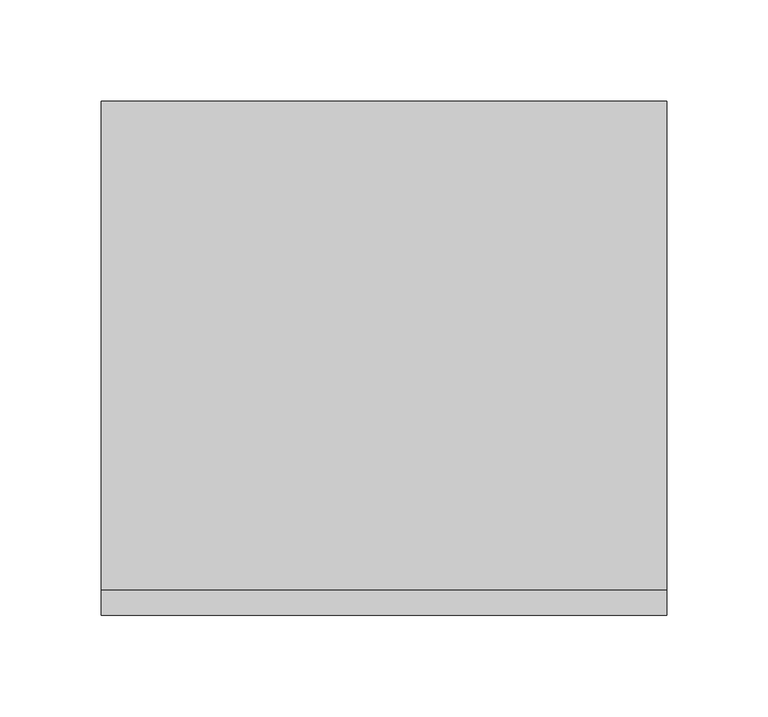
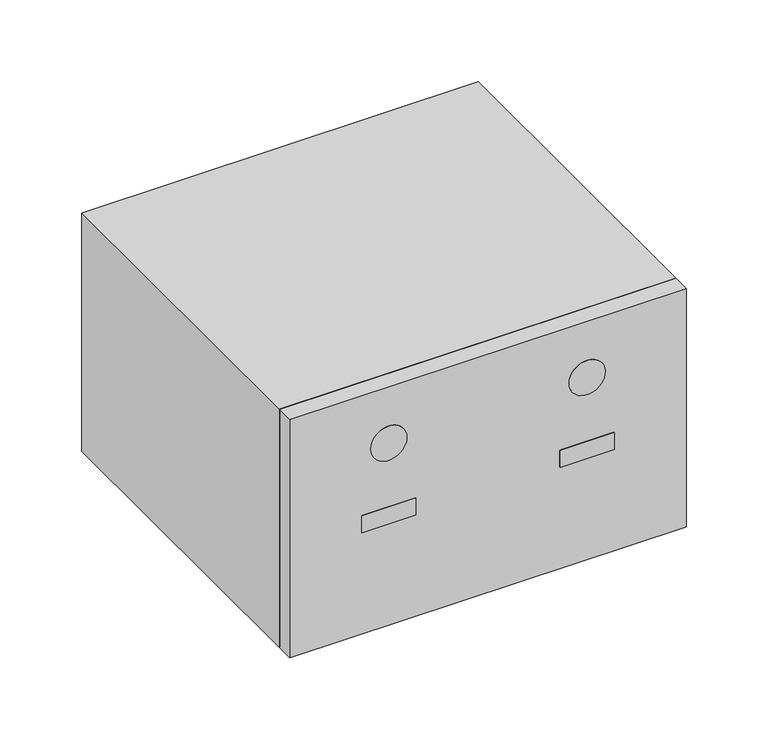
"""IFC4 building model written with IfcOpenShell, lengths in millimetres: proxy geometry."""

from ifc_helpers import new_model, si_unit, point, frame, frame_2d, origin, origin_with_axes, place, context, project, spatial, polyline, circle_curve, trimmed, segment, composite_curve, outline, extrude, source, transform, mapped, element, save
from ifc_brep_helpers import plane_surface, revolved_surface, advanced_brep


def specialty_equipment_93ede535(model_context):
    return source(origin(), model_context, "Body", "SolidModel", [
        extrude(outline(polyline([(-50.8, -127.0), (-88.9, -127.0), (-88.9, -114.3), (-50.8, -114.3), (-50.8, -127.0)])), frame((0.0, 0.0, 75.4057928), z_axis=(0.0, 0.0, 1.0), x_axis=(1.0, 0.0, 0.0)), (0.0, 0.0, 1.0), 12.7),
        extrude(outline(composite_curve([segment(trimmed(circle_curve(frame_2d((135.6673536, -69.85)), 12.7), [point((135.6673536, -57.15))], [point((135.6673536, -82.55))], False, "CARTESIAN"), True, "CONTINUOUS"), segment(trimmed(circle_curve(frame_2d((135.6673536, -69.85)), 12.7), [point((135.6673536, -82.55))], [point((135.6673536, -57.15))], False, "CARTESIAN"), True, "CONTINUOUS")], self_intersect=False)), frame((0.0, -127.0, 0.0), z_axis=(0.0, 1.0, 0.0), x_axis=(0.0, 0.0, 1.0)), (0.0, 0.0, 1.0), 12.7),
        advanced_brep(
        [(65.9381659, -107.95, 104.8140861), (73.7618341, -107.95, 104.8140861), (65.9381659, -114.3, 104.8140861), (73.7618341, -114.3, 104.8140861), (81.6605547, -107.95, 34.9640861), (89.484223, -107.95, 34.9640861), (81.6605547, -114.3, 34.9640861), (89.484223, -114.3, 34.9640861), (100.7105547, -107.95, 34.9640861), (108.534223, -107.95, 34.9640861), (100.7105547, -114.3, 34.9640861), (108.534223, -114.3, 34.9640861), (53.0816837, -107.95, 34.9640861), (60.905352, -107.95, 34.9640861), (53.0816837, -114.3, 34.9640861), (60.905352, -114.3, 34.9640861), (30.9346974, -107.95, 34.9640861), (38.7583657, -107.95, 34.9640861), (30.9346974, -114.3, 34.9640861), (38.7583657, -114.3, 34.9640861), (-65.9381659, -107.95, 104.8140861), (-73.7618341, -107.95, 104.8140861), (-73.7618341, -114.3, 104.8140861), (-65.9381659, -114.3, 104.8140861), (-81.6605547, -107.95, 34.9640861), (-89.484223, -107.95, 34.9640861), (-89.484223, -114.3, 34.9640861), (-81.6605547, -114.3, 34.9640861), (-100.7105547, -107.95, 34.9640861), (-108.534223, -107.95, 34.9640861), (-108.534223, -114.3, 34.9640861), (-100.7105547, -114.3, 34.9640861), (-53.0816837, -107.95, 34.9640861), (-60.905352, -107.95, 34.9640861), (-60.905352, -114.3, 34.9640861), (-53.0816837, -114.3, 34.9640861), (-30.9346974, -107.95, 34.9640861), (-38.7583657, -107.95, 34.9640861), (-38.7583657, -114.3, 34.9640861), (-30.9346974, -114.3, 34.9640861), (139.7, 127.0, 177.8), (-139.7, 127.0, 177.8), (-139.7, -114.3, 177.8), (139.7, -114.3, 177.8), (139.7, 127.0, 0.0), (139.7, -114.3, 0.0), (-139.7, -114.3, 0.0), (-139.7, 127.0, 0.0)],
        [
            (0, 1, circle_curve(frame((69.85, -107.95, 104.8140861), z_axis=(0.0, -1.0, 0.0), x_axis=(1.0, 0.0, 0.0)), 3.9118341)),
            (1, 0, circle_curve(frame((69.85, -107.95, 104.8140861), z_axis=(0.0, -1.0, 0.0), x_axis=(1.0, 0.0, 0.0)), 3.9118341)),
            (0, 2),
            (2, 3, circle_curve(frame((69.85, -114.3, 104.8140861), z_axis=(0.0, -1.0, 0.0), x_axis=(1.0, 0.0, 0.0)), 3.9118341)),
            (3, 1),
            (3, 2, circle_curve(frame((69.85, -114.3, 104.8140861), z_axis=(0.0, -1.0, 0.0), x_axis=(1.0, 0.0, 0.0)), 3.9118341)),
            (4, 5, circle_curve(frame((85.5723888, -107.95, 34.9640861), z_axis=(0.0, -1.0, 0.0), x_axis=(1.0, 0.0, 0.0)), 3.9118341)),
            (5, 4, circle_curve(frame((85.5723888, -107.95, 34.9640861), z_axis=(0.0, -1.0, 0.0), x_axis=(1.0, 0.0, 0.0)), 3.9118341)),
            (4, 6),
            (6, 7, circle_curve(frame((85.5723888, -114.3, 34.9640861), z_axis=(0.0, -1.0, 0.0), x_axis=(1.0, 0.0, 0.0)), 3.9118341)),
            (7, 5),
            (7, 6, circle_curve(frame((85.5723888, -114.3, 34.9640861), z_axis=(0.0, -1.0, 0.0), x_axis=(1.0, 0.0, 0.0)), 3.9118341)),
            (8, 9, circle_curve(frame((104.6223888, -107.95, 34.9640861), z_axis=(0.0, -1.0, 0.0), x_axis=(1.0, 0.0, 0.0)), 3.9118341)),
            (9, 8, circle_curve(frame((104.6223888, -107.95, 34.9640861), z_axis=(0.0, -1.0, 0.0), x_axis=(1.0, 0.0, 0.0)), 3.9118341)),
            (8, 10),
            (10, 11, circle_curve(frame((104.6223888, -114.3, 34.9640861), z_axis=(0.0, -1.0, 0.0), x_axis=(1.0, 0.0, 0.0)), 3.9118341)),
            (11, 9),
            (11, 10, circle_curve(frame((104.6223888, -114.3, 34.9640861), z_axis=(0.0, -1.0, 0.0), x_axis=(1.0, 0.0, 0.0)), 3.9118341)),
            (12, 13, circle_curve(frame((56.9935178, -107.95, 34.9640861), z_axis=(0.0, -1.0, 0.0), x_axis=(1.0, 0.0, 0.0)), 3.9118341)),
            (13, 12, circle_curve(frame((56.9935178, -107.95, 34.9640861), z_axis=(0.0, -1.0, 0.0), x_axis=(1.0, 0.0, 0.0)), 3.9118341)),
            (12, 14),
            (14, 15, circle_curve(frame((56.9935178, -114.3, 34.9640861), z_axis=(0.0, -1.0, 0.0), x_axis=(1.0, 0.0, 0.0)), 3.9118341)),
            (15, 13),
            (15, 14, circle_curve(frame((56.9935178, -114.3, 34.9640861), z_axis=(0.0, -1.0, 0.0), x_axis=(1.0, 0.0, 0.0)), 3.9118341)),
            (16, 17, circle_curve(frame((34.8465315, -107.95, 34.9640861), z_axis=(0.0, -1.0, 0.0), x_axis=(1.0, 0.0, 0.0)), 3.9118341)),
            (17, 16, circle_curve(frame((34.8465315, -107.95, 34.9640861), z_axis=(0.0, -1.0, 0.0), x_axis=(1.0, 0.0, 0.0)), 3.9118341)),
            (16, 18),
            (18, 19, circle_curve(frame((34.8465315, -114.3, 34.9640861), z_axis=(0.0, -1.0, 0.0), x_axis=(1.0, 0.0, 0.0)), 3.9118341)),
            (19, 17),
            (19, 18, circle_curve(frame((34.8465315, -114.3, 34.9640861), z_axis=(0.0, -1.0, 0.0), x_axis=(1.0, 0.0, 0.0)), 3.9118341)),
            (20, 21, circle_curve(frame((-69.85, -107.95, 104.8140861), z_axis=(0.0, -1.0, 0.0), x_axis=(-1.0, 0.0, 0.0)), 3.9118341)),
            (21, 20, circle_curve(frame((-69.85, -107.95, 104.8140861), z_axis=(0.0, -1.0, 0.0), x_axis=(-1.0, 0.0, 0.0)), 3.9118341)),
            (21, 22),
            (22, 23, circle_curve(frame((-69.85, -114.3, 104.8140861), z_axis=(0.0, -1.0, 0.0), x_axis=(-1.0, 0.0, 0.0)), 3.9118341)),
            (23, 20),
            (23, 22, circle_curve(frame((-69.85, -114.3, 104.8140861), z_axis=(0.0, -1.0, 0.0), x_axis=(-1.0, 0.0, 0.0)), 3.9118341)),
            (24, 25, circle_curve(frame((-85.5723888, -107.95, 34.9640861), z_axis=(0.0, -1.0, 0.0), x_axis=(-1.0, 0.0, 0.0)), 3.9118341)),
            (25, 24, circle_curve(frame((-85.5723888, -107.95, 34.9640861), z_axis=(0.0, -1.0, 0.0), x_axis=(-1.0, 0.0, 0.0)), 3.9118341)),
            (25, 26),
            (26, 27, circle_curve(frame((-85.5723888, -114.3, 34.9640861), z_axis=(0.0, -1.0, 0.0), x_axis=(-1.0, 0.0, 0.0)), 3.9118341)),
            (27, 24),
            (27, 26, circle_curve(frame((-85.5723888, -114.3, 34.9640861), z_axis=(0.0, -1.0, 0.0), x_axis=(-1.0, 0.0, 0.0)), 3.9118341)),
            (28, 29, circle_curve(frame((-104.6223888, -107.95, 34.9640861), z_axis=(0.0, -1.0, 0.0), x_axis=(-1.0, 0.0, 0.0)), 3.9118341)),
            (29, 28, circle_curve(frame((-104.6223888, -107.95, 34.9640861), z_axis=(0.0, -1.0, 0.0), x_axis=(-1.0, 0.0, 0.0)), 3.9118341)),
            (29, 30),
            (30, 31, circle_curve(frame((-104.6223888, -114.3, 34.9640861), z_axis=(0.0, -1.0, 0.0), x_axis=(-1.0, 0.0, 0.0)), 3.9118341)),
            (31, 28),
            (31, 30, circle_curve(frame((-104.6223888, -114.3, 34.9640861), z_axis=(0.0, -1.0, 0.0), x_axis=(-1.0, 0.0, 0.0)), 3.9118341)),
            (32, 33, circle_curve(frame((-56.9935178, -107.95, 34.9640861), z_axis=(0.0, -1.0, 0.0), x_axis=(-1.0, 0.0, 0.0)), 3.9118341)),
            (33, 32, circle_curve(frame((-56.9935178, -107.95, 34.9640861), z_axis=(0.0, -1.0, 0.0), x_axis=(-1.0, 0.0, 0.0)), 3.9118341)),
            (33, 34),
            (34, 35, circle_curve(frame((-56.9935178, -114.3, 34.9640861), z_axis=(0.0, -1.0, 0.0), x_axis=(-1.0, 0.0, 0.0)), 3.9118341)),
            (35, 32),
            (35, 34, circle_curve(frame((-56.9935178, -114.3, 34.9640861), z_axis=(0.0, -1.0, 0.0), x_axis=(-1.0, 0.0, 0.0)), 3.9118341)),
            (36, 37, circle_curve(frame((-34.8465315, -107.95, 34.9640861), z_axis=(0.0, -1.0, 0.0), x_axis=(-1.0, 0.0, 0.0)), 3.9118341)),
            (37, 36, circle_curve(frame((-34.8465315, -107.95, 34.9640861), z_axis=(0.0, -1.0, 0.0), x_axis=(-1.0, 0.0, 0.0)), 3.9118341)),
            (37, 38),
            (38, 39, circle_curve(frame((-34.8465315, -114.3, 34.9640861), z_axis=(0.0, -1.0, 0.0), x_axis=(-1.0, 0.0, 0.0)), 3.9118341)),
            (39, 36),
            (39, 38, circle_curve(frame((-34.8465315, -114.3, 34.9640861), z_axis=(0.0, -1.0, 0.0), x_axis=(-1.0, 0.0, 0.0)), 3.9118341)),
            (40, 41),
            (41, 42),
            (42, 43),
            (43, 40),
            (44, 45),
            (45, 46),
            (46, 47),
            (47, 44),
            (40, 44),
            (47, 41),
            (46, 42),
            (45, 43),
        ],
        [
            plane_surface(frame((73.7618341, -107.95, 104.8140861), z_axis=(0.0, -1.0, 0.0), x_axis=(0.0, 0.0, -1.0))),
            revolved_surface(polyline([(73.76183409999999, -114.3, 104.8140861), (73.76183409999999, -107.95, 104.8140861)]), (69.85, -107.95, 104.8140861), (0.0, -1.0, 0.0)),
            plane_surface(frame((89.484223, -107.95, 34.9640861), z_axis=(0.0, -1.0, 0.0), x_axis=(0.0, 0.0, -1.0))),
            revolved_surface(polyline([(89.48422289999999, -114.3, 34.9640861), (89.48422289999999, -107.95, 34.9640861)]), (85.5723888, -107.95, 34.9640861), (0.0, -1.0, 0.0)),
            plane_surface(frame((108.534223, -107.95, 34.9640861), z_axis=(0.0, -1.0, 0.0), x_axis=(0.0, 0.0, -1.0))),
            revolved_surface(polyline([(108.5342229, -114.3, 34.9640861), (108.5342229, -107.95, 34.9640861)]), (104.6223888, -107.95, 34.9640861), (0.0, -1.0, 0.0)),
            plane_surface(frame((60.905352, -107.95, 34.9640861), z_axis=(0.0, -1.0, 0.0), x_axis=(0.0, 0.0, -1.0))),
            revolved_surface(polyline([(60.9053519, -114.3, 34.9640861), (60.9053519, -107.95, 34.9640861)]), (56.9935178, -107.95, 34.9640861), (0.0, -1.0, 0.0)),
            plane_surface(frame((38.7583657, -107.95, 34.9640861), z_axis=(0.0, -1.0, 0.0), x_axis=(0.0, 0.0, -1.0))),
            revolved_surface(polyline([(38.7583656, -114.3, 34.9640861), (38.7583656, -107.95, 34.9640861)]), (34.8465315, -107.95, 34.9640861), (0.0, -1.0, 0.0)),
            plane_surface(frame((-73.7618341, -107.95, 104.8140861), z_axis=(0.0, -1.0, 0.0), x_axis=(0.0, 0.0, 1.0))),
            revolved_surface(polyline([(-73.76183409999999, -114.3, 104.8140861), (-73.76183409999999, -107.95, 104.8140861)]), (-69.85, -107.95, 104.8140861), (0.0, -1.0, 0.0)),
            plane_surface(frame((-89.484223, -107.95, 34.9640861), z_axis=(0.0, -1.0, 0.0), x_axis=(0.0, 0.0, 1.0))),
            revolved_surface(polyline([(-89.48422289999999, -114.3, 34.9640861), (-89.48422289999999, -107.95, 34.9640861)]), (-85.5723888, -107.95, 34.9640861), (0.0, -1.0, 0.0)),
            plane_surface(frame((-108.534223, -107.95, 34.9640861), z_axis=(0.0, -1.0, 0.0), x_axis=(0.0, 0.0, 1.0))),
            revolved_surface(polyline([(-108.5342229, -114.3, 34.9640861), (-108.5342229, -107.95, 34.9640861)]), (-104.6223888, -107.95, 34.9640861), (0.0, -1.0, 0.0)),
            plane_surface(frame((-60.905352, -107.95, 34.9640861), z_axis=(0.0, -1.0, 0.0), x_axis=(0.0, 0.0, 1.0))),
            revolved_surface(polyline([(-60.9053519, -114.3, 34.9640861), (-60.9053519, -107.95, 34.9640861)]), (-56.9935178, -107.95, 34.9640861), (0.0, -1.0, 0.0)),
            plane_surface(frame((-38.7583657, -107.95, 34.9640861), z_axis=(0.0, -1.0, 0.0), x_axis=(0.0, 0.0, 1.0))),
            revolved_surface(polyline([(-38.7583656, -114.3, 34.9640861), (-38.7583656, -107.95, 34.9640861)]), (-34.8465315, -107.95, 34.9640861), (0.0, -1.0, 0.0)),
            plane_surface(frame((-139.7, 127.0, 177.8), z_axis=(0.0, 0.0, 1.0), x_axis=(-1.0, 0.0, 0.0))),
            plane_surface(frame((-139.7, 127.0, 0.0), z_axis=(0.0, 0.0, -1.0), x_axis=(1.0, 0.0, 0.0))),
            plane_surface(frame((139.7, 127.0, 177.8), z_axis=(0.0, 1.0, 0.0), x_axis=(0.0, 0.0, -1.0))),
            plane_surface(frame((-139.7, 127.0, 177.8), z_axis=(-1.0, 0.0, 0.0), x_axis=(0.0, 0.0, -1.0))),
            plane_surface(frame((-139.7, -114.3, 177.8), z_axis=(0.0, -1.0, 0.0), x_axis=(0.0, 0.0, -1.0))),
            plane_surface(frame((139.7, -114.3, 177.8), z_axis=(1.0, 0.0, 0.0), x_axis=(0.0, 0.0, -1.0))),
        ],
        [
            (0, [[1, 2]]),
            (1, [[-1, 3, 4, 5]]),
            (1, [[-2, -5, 6, -3]]),
            (2, [[7, 8]]),
            (3, [[-7, 9, 10, 11]]),
            (3, [[-8, -11, 12, -9]]),
            (4, [[13, 14]]),
            (5, [[-13, 15, 16, 17]]),
            (5, [[-14, -17, 18, -15]]),
            (6, [[19, 20]]),
            (7, [[-19, 21, 22, 23]]),
            (7, [[-20, -23, 24, -21]]),
            (8, [[25, 26]]),
            (9, [[-25, 27, 28, 29]]),
            (9, [[-26, -29, 30, -27]]),
            (10, [[31, 32]]),
            (11, [[-32, 33, 34, 35]]),
            (11, [[-31, -35, 36, -33]]),
            (12, [[37, 38]]),
            (13, [[-38, 39, 40, 41]]),
            (13, [[-37, -41, 42, -39]]),
            (14, [[43, 44]]),
            (15, [[-44, 45, 46, 47]]),
            (15, [[-43, -47, 48, -45]]),
            (16, [[49, 50]]),
            (17, [[-50, 51, 52, 53]]),
            (17, [[-49, -53, 54, -51]]),
            (18, [[55, 56]]),
            (19, [[-56, 57, 58, 59]]),
            (19, [[-55, -59, 60, -57]]),
            (20, [[61, 62, 63, 64]]),
            (21, [[65, 66, 67, 68]]),
            (22, [[-61, 69, -68, 70]]),
            (23, [[-62, -70, -67, 71]]),
            (24, [[-63, -71, -66, 72], [-4, -6], [-10, -12], [-16, -18], [-22, -24], [-28, -30], [-34, -36], [-40, -42], [-46, -48], [-52, -54], [-58, -60]]),
            (25, [[-64, -72, -65, -69]]),
        ],
    ),
        extrude(outline(polyline([(88.9, -127.0), (50.8, -127.0), (50.8, -114.3), (88.9, -114.3), (88.9, -127.0)])), frame((0.0, 0.0, 75.4057928), z_axis=(0.0, 0.0, 1.0), x_axis=(1.0, 0.0, 0.0)), (0.0, 0.0, 1.0), 12.7),
        extrude(outline(composite_curve([segment(trimmed(circle_curve(frame_2d((135.6673536, 69.85)), 12.7), [point((135.6673536, 57.15))], [point((135.6673536, 82.55))], False, "CARTESIAN"), True, "CONTINUOUS"), segment(trimmed(circle_curve(frame_2d((135.6673536, 69.85)), 12.7), [point((135.6673536, 82.55))], [point((135.6673536, 57.15))], False, "CARTESIAN"), True, "CONTINUOUS")], self_intersect=False)), frame((0.0, -127.0, 0.0), z_axis=(0.0, 1.0, 0.0), x_axis=(0.0, 0.0, 1.0)), (0.0, 0.0, 1.0), 12.7),
        extrude(outline(polyline([(-139.7, 127.0), (139.7, 127.0), (139.7, -127.0), (-139.7, -127.0), (-139.7, 0.0), (-139.7, 127.0)])), origin_with_axes(), (0.0, 0.0, 1.0), 177.8),
    ])


if __name__ == "__main__":
    model = new_model("IFC4")
    model_context = context("Model", 3, world=origin())
    ifc_project = project(units=[si_unit("LENGTHUNIT", "METRE", prefix="MILLI")], contexts=[model_context])
    site = spatial("IfcSite", under=ifc_project)
    building = spatial("IfcBuilding", under=site)
    placement = place(None, origin())
    specialty_equipment_shape = specialty_equipment_93ede535(model_context)
    element("IfcBuildingElementProxy", 1, Name="Specialty Equipment", at=placement, inside=building, context=model_context, shape_type="MappedRepresentation", body=[
        mapped(specialty_equipment_shape, transform((0.0, 0.0, 0.0), x_axis=(1.0, 0.0, 0.0), y_axis=(0.0, 1.0, 0.0), z_axis=(0.0, 0.0, 1.0))),
    ])
    save(model, "model.ifc")
